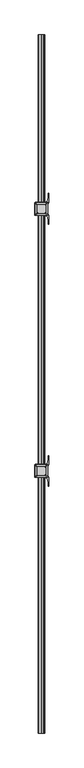
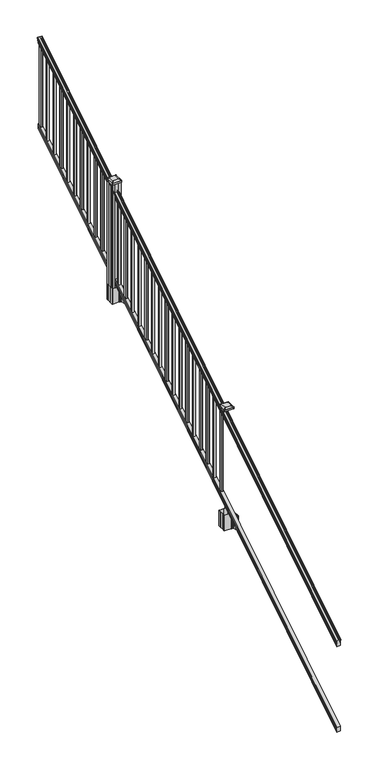
"""IFC4 building model written with IfcOpenShell, lengths in millimetres: railing geometry."""

from ifc_helpers import new_model, si_unit, point, frame, frame_2d, origin, place, context, project, spatial, polyline, circle_curve, ellipse_curve, trimmed, segment, composite_curve, outline, extrude, faceted_brep, source, transform, mapped, element, save
from ifc_brep_helpers import plane_surface, cylinder_surface, revolved_surface, extruded_surface, advanced_brep


def railing_d4ff8e9b(model_context):
    return source(origin(), model_context, "Body", "SolidModel", [
        advanced_brep(
        [(7464.0754996, -7669.8194681, 1133.2070492), (7466.6493284, -7669.8194681, 1133.2070492), (7466.6493284, -7669.8194681, 1120.6394336), (7465.6333284, -7669.8194681, 1119.441318), (7465.6333284, -7669.8194681, 1104.9), (7497.3833284, -7669.8194681, 1104.9), (7497.3833284, -7669.8194681, 1119.6274214), (7496.3673284, -7669.8194681, 1120.825537), (7496.3673284, -7669.8194681, 1133.2070492), (7498.9411571, -7669.8194681, 1133.2070492), (7498.9411571, -7669.8194681, 1135.4335658), (7500.0713434, -7669.8194681, 1137.2758543), (7500.0713434, -7669.8194681, 1145.7876358), (7499.422087, -7669.8194681, 1148.6572588), (7501.922087, -7669.8194681, 1153.7635509), (7503.3314295, -7669.8194681, 1155.7442021), (7503.7333285, -7669.8194681, 1157.0469579), (7503.7333284, -7669.8194681, 1158.6274846), (7502.1798811, -7669.8194681, 1160.4593836), (7481.5083284, -7669.8194681, 1160.4593836), (7460.8367756, -7669.8194681, 1160.4593836), (7459.2833284, -7669.8194681, 1158.6274846), (7459.2833284, -7669.8194681, 1157.0469579), (7459.6852273, -7669.8194681, 1155.7442021), (7461.0945697, -7669.8194681, 1153.7635509), (7463.5945697, -7669.8194681, 1148.6572588), (7462.9453133, -7669.8194681, 1145.7876358), (7462.9453133, -7669.8194681, 1137.2758543), (7464.0754996, -7669.8194681, 1135.4335658), (7464.0754996, -2793.0194681, 4181.2070492), (7464.0754996, -2793.0194681, 4183.4335658), (7462.9453133, -2793.0194681, 4185.2758543), (7462.9453133, -2793.0194681, 4193.7876358), (7463.5945697, -2793.0194681, 4196.6572588), (7461.0945697, -2793.0194681, 4201.7635509), (7459.6852273, -2793.0194681, 4203.7442021), (7459.2833283, -2793.0194681, 4205.0469579), (7459.2833284, -2793.0194681, 4206.6274846), (7460.8367756, -2793.0194681, 4208.4593836), (7481.5083284, -2793.0194681, 4208.4593836), (7502.1798811, -2793.0194681, 4208.4593836), (7503.7333284, -2793.0194681, 4206.6274846), (7503.7333284, -2793.0194681, 4205.0469579), (7503.3314295, -2793.0194681, 4203.7442021), (7501.922087, -2793.0194681, 4201.7635509), (7499.422087, -2793.0194681, 4196.6572588), (7500.0713434, -2793.0194681, 4193.7876358), (7500.0713434, -2793.0194681, 4185.2758543), (7498.9411571, -2793.0194681, 4183.4335658), (7498.9411571, -2793.0194681, 4181.2070492), (7496.3673284, -2793.0194681, 4181.2070492), (7496.3673284, -2793.0194681, 4168.825537), (7497.3833284, -2793.0194681, 4167.6274214), (7497.3833284, -2793.0194681, 4152.9), (7465.6333284, -2793.0194681, 4152.9), (7465.6333284, -2793.0194681, 4167.441318), (7466.6493284, -2793.0194681, 4168.6394336), (7466.6493284, -2793.0194681, 4181.2070492)],
        [
            (0, 1, ellipse_curve(frame((7465.362414, -7669.8194681, 1133.2070492), z_axis=(0.0, -1.0, 0.0), x_axis=(0.0, 0.0, -1.0)), 1.5175907, 1.2869144)),
            (1, 2),
            (2, 3),
            (3, 4),
            (4, 5),
            (5, 6),
            (6, 7),
            (7, 8),
            (8, 9, ellipse_curve(frame((7497.6542427, -7669.8194681, 1133.2070492), z_axis=(0.0, -1.0, 0.0), x_axis=(0.0, 0.0, -1.0)), 1.5175907, 1.2869144)),
            (9, 10),
            (10, 11, ellipse_curve(frame((7492.6264038, -7669.8194681, 1142.2239405), z_axis=(0.0, -1.0, 0.0), x_axis=(0.0, 0.0, -1.0)), 10.0777926, 8.545951)),
            (11, 12, ellipse_curve(frame((7493.0634668, -7669.8194681, 1141.5317451), z_axis=(0.0, -1.0, 0.0), x_axis=(0.0, 0.0, -1.0)), 9.2955186, 7.882584)),
            (12, 13, ellipse_curve(frame((7503.5767909, -7669.8194681, 1148.4275077), z_axis=(0.0, 1.0, 0.0), x_axis=(0.0, 0.0, 1.0)), 4.9048088, 4.1592695)),
            (13, 14, ellipse_curve(frame((7504.8640975, -7669.8194681, 1148.3563208), z_axis=(0.0, 1.0, 0.0), x_axis=(0.0, 0.0, 1.0)), 6.4245301, 5.4479907)),
            (14, 15, ellipse_curve(frame((7503.630939, -7669.8194681, 1153.7602333), z_axis=(0.0, 1.0, 0.0), x_axis=(0.0, 0.0, 1.0)), 2.0151625, 1.7088543)),
            (15, 16, ellipse_curve(frame((7502.0140389, -7669.8194681, 1157.0469579), z_axis=(0.0, -1.0, 0.0), x_axis=(0.0, 0.0, -1.0)), 2.0274681, 1.7192895)),
            (16, 17),
            (17, 18, ellipse_curve(frame((7502.1798811, -7669.8194681, 1158.6274846), z_axis=(0.0, -1.0, 0.0), x_axis=(0.0, 0.0, -1.0)), 1.831899, 1.5534472)),
            (18, 19),
            (19, 20),
            (20, 21, ellipse_curve(frame((7460.8367756, -7669.8194681, 1158.6274846), z_axis=(0.0, -1.0, 0.0), x_axis=(0.0, 0.0, -1.0)), 1.831899, 1.5534472)),
            (21, 22),
            (22, 23, ellipse_curve(frame((7461.0026178, -7669.8194681, 1157.0469579), z_axis=(0.0, -1.0, 0.0), x_axis=(0.0, 0.0, -1.0)), 2.0274681, 1.7192895)),
            (23, 24, ellipse_curve(frame((7459.3857177, -7669.8194681, 1153.7602333), z_axis=(0.0, 1.0, 0.0), x_axis=(0.0, 0.0, 1.0)), 2.0151625, 1.7088543)),
            (24, 25, ellipse_curve(frame((7458.1525593, -7669.8194681, 1148.3563208), z_axis=(0.0, 1.0, 0.0), x_axis=(0.0, 0.0, 1.0)), 6.4245301, 5.4479907)),
            (25, 26, ellipse_curve(frame((7459.4398658, -7669.8194681, 1148.4275077), z_axis=(0.0, 1.0, 0.0), x_axis=(0.0, 0.0, 1.0)), 4.9048088, 4.1592695)),
            (26, 27, ellipse_curve(frame((7469.95319, -7669.8194681, 1141.5317451), z_axis=(0.0, -1.0, 0.0), x_axis=(0.0, 0.0, -1.0)), 9.2955186, 7.882584)),
            (27, 28, ellipse_curve(frame((7470.3902529, -7669.8194681, 1142.2239405), z_axis=(0.0, -1.0, 0.0), x_axis=(0.0, 0.0, -1.0)), 10.0777926, 8.545951)),
            (28, 0),
            (29, 30),
            (30, 31, ellipse_curve(frame((7470.3902529, -2793.0194681, 4190.2239405), z_axis=(0.0, 1.0, 0.0), x_axis=(0.0, 0.0, -1.0)), 10.0777926, 8.545951)),
            (31, 32, ellipse_curve(frame((7469.95319, -2793.0194681, 4189.5317451), z_axis=(0.0, 1.0, 0.0), x_axis=(0.0, 0.0, -1.0)), 9.2955186, 7.882584)),
            (32, 33, ellipse_curve(frame((7459.4398658, -2793.0194681, 4196.4275077), z_axis=(0.0, -1.0, 0.0), x_axis=(0.0, 0.0, 1.0)), 4.9048088, 4.1592695)),
            (33, 34, ellipse_curve(frame((7458.1525593, -2793.0194681, 4196.3563208), z_axis=(0.0, -1.0, 0.0), x_axis=(0.0, 0.0, 1.0)), 6.4245301, 5.4479907)),
            (34, 35, ellipse_curve(frame((7459.3857177, -2793.0194681, 4201.7602333), z_axis=(0.0, -1.0, 0.0), x_axis=(0.0, 0.0, 1.0)), 2.0151625, 1.7088543)),
            (35, 36, ellipse_curve(frame((7461.0026178, -2793.0194681, 4205.0469579), z_axis=(0.0, 1.0, 0.0), x_axis=(0.0, 0.0, -1.0)), 2.0274681, 1.7192895)),
            (36, 37),
            (37, 38, ellipse_curve(frame((7460.8367756, -2793.0194681, 4206.6274846), z_axis=(0.0, 1.0, 0.0), x_axis=(0.0, 0.0, -1.0)), 1.831899, 1.5534472)),
            (38, 39),
            (39, 40),
            (40, 41, ellipse_curve(frame((7502.1798811, -2793.0194681, 4206.6274846), z_axis=(0.0, 1.0, 0.0), x_axis=(0.0, 0.0, -1.0)), 1.831899, 1.5534472)),
            (41, 42),
            (42, 43, ellipse_curve(frame((7502.0140389, -2793.0194681, 4205.0469579), z_axis=(0.0, 1.0, 0.0), x_axis=(0.0, 0.0, -1.0)), 2.0274681, 1.7192895)),
            (43, 44, ellipse_curve(frame((7503.630939, -2793.0194681, 4201.7602333), z_axis=(0.0, -1.0, 0.0), x_axis=(0.0, 0.0, 1.0)), 2.0151625, 1.7088543)),
            (44, 45, ellipse_curve(frame((7504.8640975, -2793.0194681, 4196.3563208), z_axis=(0.0, -1.0, 0.0), x_axis=(0.0, 0.0, 1.0)), 6.4245301, 5.4479907)),
            (45, 46, ellipse_curve(frame((7503.5767909, -2793.0194681, 4196.4275077), z_axis=(0.0, -1.0, 0.0), x_axis=(0.0, 0.0, 1.0)), 4.9048088, 4.1592695)),
            (46, 47, ellipse_curve(frame((7493.0634668, -2793.0194681, 4189.5317451), z_axis=(0.0, 1.0, 0.0), x_axis=(0.0, 0.0, -1.0)), 9.2955186, 7.882584)),
            (47, 48, ellipse_curve(frame((7492.6264038, -2793.0194681, 4190.2239405), z_axis=(0.0, 1.0, 0.0), x_axis=(0.0, 0.0, -1.0)), 10.0777926, 8.545951)),
            (48, 49),
            (49, 50, ellipse_curve(frame((7497.6542427, -2793.0194681, 4181.2070492), z_axis=(0.0, 1.0, 0.0), x_axis=(0.0, 0.0, -1.0)), 1.5175907, 1.2869144)),
            (50, 51),
            (51, 52),
            (52, 53),
            (53, 54),
            (54, 55),
            (55, 56),
            (56, 57),
            (57, 29, ellipse_curve(frame((7465.362414, -2793.0194681, 4181.2070492), z_axis=(0.0, 1.0, 0.0), x_axis=(0.0, 0.0, -1.0)), 1.5175907, 1.2869144)),
            (28, 30),
            (29, 0),
            (27, 31),
            (26, 32),
            (25, 33),
            (24, 34),
            (23, 35),
            (22, 36),
            (21, 37),
            (20, 38),
            (19, 39),
            (18, 40),
            (17, 41),
            (16, 42),
            (15, 43),
            (14, 44),
            (13, 45),
            (12, 46),
            (11, 47),
            (10, 48),
            (9, 49),
            (8, 50),
            (7, 51),
            (6, 52),
            (5, 53),
            (4, 54),
            (3, 55),
            (2, 56),
            (1, 57),
        ],
        [
            plane_surface(frame((7481.5083284, -7669.8194681, 1104.9), z_axis=(0.0, -1.0, 0.0), x_axis=(0.0, 0.0, 1.0))),
            plane_surface(frame((7481.5083284, -2793.0194681, 4152.9), z_axis=(0.0, 1.0, 0.0), x_axis=(0.0, 0.0, 1.0))),
            plane_surface(frame((7464.0754996, -7669.8194681, 1135.4335658), z_axis=(-1.0, 0.0, 0.0), x_axis=(0.0, 0.8479983040051254, 0.5299989400031202))),
            cylinder_surface(frame((7470.3902529, -7686.5942728, 1131.7396876), z_axis=(0.0, -0.8479983040051254, -0.5299989400031202), x_axis=(1.0, 0.0, 0.0)), 8.545951),
            cylinder_surface(frame((7469.95319, -7686.2831737, 1131.241929), z_axis=(0.0, -0.8479983040051254, -0.5299989400031202), x_axis=(1.0, 0.0, 0.0)), 7.882584),
            revolved_surface(polyline([(7463.5991353, -2790.8150596503465, 4197.805262980553), (7463.5991353, -7672.023876549438, 1147.0497524190998)]), (7459.4398658, -7689.3823929, 1136.2006797), (0.0, 0.8479983040051254, 0.5299989400031202)),
            revolved_surface(polyline([(7463.60055, -2790.132038835739, 4198.160964077182), (7463.60055, -7672.7068973528085, 1146.5516775044932)]), (7458.1525593, -7689.3503988, 1136.1494891), (0.0, 0.8479983040051254, 0.5299989400031202)),
            revolved_surface(polyline([(7461.094572, -2792.113777099782, 4202.326290199655), (7461.094572, -7670.725159122471, 1153.1941764359535)]), (7459.3857177, -7691.7791235, 1140.0354487), (0.0, 0.8479983040051254, 0.5299989400031202)),
            cylinder_surface(frame((7461.0026178, -7693.2563031, 1142.398936), z_axis=(0.0, -0.8479983040051254, -0.5299989400031202), x_axis=(1.0, 0.0, 0.0)), 1.7192895),
            plane_surface(frame((7459.2833284, -7669.8194681, 1158.6274846), z_axis=(-1.0, 0.0, 0.0), x_axis=(0.0, 0.8479983040051254, 0.5299989400031202))),
            cylinder_surface(frame((7460.8367756, -7693.9666522, 1143.5354945), z_axis=(0.0, -0.8479983040051254, -0.5299989400031202), x_axis=(1.0, 0.0, 0.0)), 1.5534472),
            plane_surface(frame((7481.5083284, -7669.8194681, 1160.4593836), z_axis=(0.0, -0.5299989400031202, 0.8479983040051254), x_axis=(0.0, 0.8479983040051254, 0.5299989400031202))),
            plane_surface(frame((7502.1798811, -7669.8194681, 1160.4593836), z_axis=(0.0, -0.5299989400031202, 0.8479983040051254), x_axis=(0.0, 0.8479983040051254, 0.5299989400031202))),
            cylinder_surface(frame((7502.1798811, -7693.9666522, 1143.5354945), z_axis=(0.0, -0.8479983040051254, -0.5299989400031202), x_axis=(-1.0, 0.0, 0.0)), 1.5534472),
            plane_surface(frame((7503.7333284, -7669.8194681, 1157.0469579), z_axis=(1.0, 0.0, 0.0), x_axis=(0.0, 0.8479983040051254, 0.5299989400031202))),
            cylinder_surface(frame((7502.0140389, -7693.2563031, 1142.398936), z_axis=(0.0, -0.8479983040051254, -0.5299989400031202), x_axis=(-1.0, 0.0, 0.0)), 1.7192895),
            revolved_surface(polyline([(7501.9220847, -2792.113777099782, 4202.326290199655), (7501.9220847, -7670.725159122471, 1153.1941764359535)]), (7503.630939, -7691.7791235, 1140.0354487), (0.0, 0.8479983040051254, 0.5299989400031202)),
            revolved_surface(polyline([(7499.416106799999, -2790.132038835739, 4198.160964077182), (7499.416106799999, -7672.7068973528085, 1146.5516775044932)]), (7504.8640975, -7689.3503988, 1136.1494891), (0.0, 0.8479983040051254, 0.5299989400031202)),
            revolved_surface(polyline([(7499.4175214, -2790.8150596503465, 4197.805262980553), (7499.4175214, -7672.023876549438, 1147.0497524190998)]), (7503.5767909, -7689.3823929, 1136.2006797), (0.0, 0.8479983040051254, 0.5299989400031202)),
            cylinder_surface(frame((7493.0634668, -7686.2831737, 1131.241929), z_axis=(0.0, -0.8479983040051254, -0.5299989400031202), x_axis=(-1.0, 0.0, 0.0)), 7.882584),
            cylinder_surface(frame((7492.6264038, -7686.5942728, 1131.7396876), z_axis=(0.0, -0.8479983040051254, -0.5299989400031202), x_axis=(-1.0, 0.0, 0.0)), 8.545951),
            plane_surface(frame((7498.9411571, -7669.8194681, 1133.2070492), z_axis=(1.0, 0.0, 0.0), x_axis=(0.0, 0.8479983040051254, 0.5299989400031202))),
            cylinder_surface(frame((7497.6542427, -7682.5417374, 1125.2556309), z_axis=(0.0, -0.8479983040051254, -0.5299989400031202), x_axis=(-1.0, 0.0, 0.0)), 1.2869144),
            plane_surface(frame((7496.3673284, -7669.8194681, 1120.825537), z_axis=(1.0, 0.0, 0.0), x_axis=(0.0, 0.8479983040051254, 0.5299989400031202))),
            plane_surface(frame((7497.3833284, -7669.8194681, 1119.6274214), z_axis=(0.7071067811865426, -0.3747658444978919, 0.5996253511967194), x_axis=(0.0, 0.8479983040051254, 0.5299989400031202))),
            plane_surface(frame((7497.3833284, -7669.8194681, 1104.9), z_axis=(1.0, 0.0, 0.0), x_axis=(0.0, 0.8479983040051254, 0.5299989400031202))),
            plane_surface(frame((7465.6333284, -7669.8194681, 1104.9), z_axis=(0.0, 0.5299989400031202, -0.8479983040051254), x_axis=(0.0, 0.8479983040051254, 0.5299989400031202))),
            plane_surface(frame((7465.6333284, -7669.8194681, 1119.441318), z_axis=(-1.0, 0.0, 0.0), x_axis=(0.0, 0.8479983040051254, 0.5299989400031202))),
            plane_surface(frame((7466.6493284, -7669.8194681, 1120.6394336), z_axis=(-0.7071067811865401, -0.3747658444978916, 0.5996253511967223), x_axis=(0.0, 0.8479983040051254, 0.5299989400031202))),
            plane_surface(frame((7466.6493284, -7669.8194681, 1133.2070492), z_axis=(-1.0, 0.0, 0.0), x_axis=(0.0, 0.8479983040051254, 0.5299989400031202))),
            cylinder_surface(frame((7465.362414, -7682.5417374, 1125.2556309), z_axis=(0.0, -0.8479983040051254, -0.5299989400031202), x_axis=(1.0, 0.0, 0.0)), 1.2869144),
        ],
        [
            (0, [[1, 2, 3, 4, 5, 6, 7, 8, 9, 10, 11, 12, 13, 14, 15, 16, 17, 18, 19, 20, 21, 22, 23, 24, 25, 26, 27, 28, 29]]),
            (1, [[30, 31, 32, 33, 34, 35, 36, 37, 38, 39, 40, 41, 42, 43, 44, 45, 46, 47, 48, 49, 50, 51, 52, 53, 54, 55, 56, 57, 58]]),
            (2, [[-29, 59, -30, 60]]),
            (3, [[-28, 61, -31, -59]]),
            (4, [[-27, 62, -32, -61]]),
            (5, [[-26, 63, -33, -62]]),
            (6, [[-25, 64, -34, -63]]),
            (7, [[-24, 65, -35, -64]]),
            (8, [[-23, 66, -36, -65]]),
            (9, [[-22, 67, -37, -66]]),
            (10, [[-21, 68, -38, -67]]),
            (11, [[-20, 69, -39, -68]]),
            (12, [[-19, 70, -40, -69]]),
            (13, [[-18, 71, -41, -70]]),
            (14, [[-17, 72, -42, -71]]),
            (15, [[-16, 73, -43, -72]]),
            (16, [[-15, 74, -44, -73]]),
            (17, [[-14, 75, -45, -74]]),
            (18, [[-13, 76, -46, -75]]),
            (19, [[-12, 77, -47, -76]]),
            (20, [[-11, 78, -48, -77]]),
            (21, [[-10, 79, -49, -78]]),
            (22, [[-9, 80, -50, -79]]),
            (23, [[-8, 81, -51, -80]]),
            (24, [[-7, 82, -52, -81]]),
            (25, [[-6, 83, -53, -82]]),
            (26, [[-5, 84, -54, -83]]),
            (27, [[-4, 85, -55, -84]]),
            (28, [[-3, 86, -56, -85]]),
            (29, [[-2, 87, -57, -86]]),
            (30, [[-1, -60, -58, -87]]),
        ],
    ),
        faceted_brep([(7465.5958415, -7669.8194681, 268.8045079), (7465.5958415, -7669.8194681, 254.0), (7497.3458415, -7669.8194681, 254.0), (7497.3458415, -7669.8194681, 268.7848772), (7496.3298415, -7669.8194681, 270.3748303), (7496.3298415, -7669.8194681, 282.5348741), (7497.3458415, -7669.8194681, 284.1248272), (7497.3458415, -7669.8194681, 298.9244744), (7465.5958415, -7669.8194681, 298.9244744), (7465.5958415, -7669.8194681, 284.1444579), (7466.6118415, -7669.8194681, 282.5545048), (7466.6118415, -7669.8194681, 270.338026), (7465.5958415, -2793.0194681, 3316.8045079), (7466.6118415, -2793.0194681, 3318.338026), (7466.6118415, -2793.0194681, 3330.5545048), (7465.5958415, -2793.0194681, 3332.1444579), (7465.5958415, -2793.0194681, 3346.9244744), (7497.3458415, -2793.0194681, 3346.9244744), (7497.3458415, -2793.0194681, 3332.1248272), (7496.3298415, -2793.0194681, 3330.5348741), (7496.3298415, -2793.0194681, 3318.3748303), (7497.3458415, -2793.0194681, 3316.7848772), (7497.3458415, -2793.0194681, 3302.0), (7465.5958415, -2793.0194681, 3302.0)], [[[0, 1, 2, 3, 4, 5, 6, 7, 8, 9, 10, 11]], [[12, 13, 14, 15, 16, 17, 18, 19, 20, 21, 22, 23]], [[0, 11, 13, 12]], [[11, 10, 14, 13]], [[10, 9, 15, 14]], [[9, 8, 16, 15]], [[8, 7, 17, 16]], [[7, 6, 18, 17]], [[6, 5, 19, 18]], [[5, 4, 20, 19]], [[4, 3, 21, 20]], [[3, 2, 22, 21]], [[2, 1, 23, 22]], [[1, 0, 12, 23]]]),
        extrude(outline(polyline([(7471.9833284, -2824.1344681), (7471.9833284, -2805.0844681), (7491.0333284, -2805.0844681), (7491.0333284, -2824.1344681), (7471.9833284, -2824.1344681)]), holes=[polyline([(7472.3802034, -2823.7375931), (7490.6364534, -2823.7375931), (7490.6364534, -2805.4813431), (7472.3802034, -2805.4813431), (7472.3802034, -2823.7375931)])]), frame((0.0, 0.0, 3326.6021281), z_axis=(0.0, 0.0, 1.0), x_axis=(1.0, 0.0, 0.0)), (0.0, 0.0, 1.0), 812.8041219),
        extrude(outline(polyline([(7471.9833284, -2935.3864681), (7471.9833284, -2916.3364681), (7491.0333284, -2916.3364681), (7491.0333284, -2935.3864681), (7471.9833284, -2935.3864681)]), holes=[polyline([(7472.3802034, -2934.9895931), (7490.6364534, -2934.9895931), (7490.6364534, -2916.7333431), (7472.3802034, -2916.7333431), (7472.3802034, -2934.9895931)])]), frame((0.0, 0.0, 3257.0696281), z_axis=(0.0, 0.0, 1.0), x_axis=(1.0, 0.0, 0.0)), (0.0, 0.0, 1.0), 812.8041219),
        extrude(outline(polyline([(7471.9833284, -3046.6384681), (7471.9833284, -3027.5884681), (7491.0333284, -3027.5884681), (7491.0333284, -3046.6384681), (7471.9833284, -3046.6384681)]), holes=[polyline([(7472.3802034, -3046.2415931), (7490.6364534, -3046.2415931), (7490.6364534, -3027.9853431), (7472.3802034, -3027.9853431), (7472.3802034, -3046.2415931)])]), frame((0.0, 0.0, 3187.5371281), z_axis=(0.0, 0.0, 1.0), x_axis=(1.0, 0.0, 0.0)), (0.0, 0.0, 1.0), 812.8041219),
        extrude(outline(polyline([(7471.9833284, -3157.8904681), (7471.9833284, -3138.8404681), (7491.0333284, -3138.8404681), (7491.0333284, -3157.8904681), (7471.9833284, -3157.8904681)]), holes=[polyline([(7472.3802034, -3157.4935931), (7490.6364534, -3157.4935931), (7490.6364534, -3139.2373431), (7472.3802034, -3139.2373431), (7472.3802034, -3157.4935931)])]), frame((0.0, 0.0, 3118.0046281), z_axis=(0.0, 0.0, 1.0), x_axis=(1.0, 0.0, 0.0)), (0.0, 0.0, 1.0), 812.8041219),
        extrude(outline(polyline([(7471.9833284, -3269.1424681), (7471.9833284, -3250.0924681), (7491.0333284, -3250.0924681), (7491.0333284, -3269.1424681), (7471.9833284, -3269.1424681)]), holes=[polyline([(7472.3802034, -3268.7455931), (7490.6364534, -3268.7455931), (7490.6364534, -3250.4893431), (7472.3802034, -3250.4893431), (7472.3802034, -3268.7455931)])]), frame((0.0, 0.0, 3048.4721281), z_axis=(0.0, 0.0, 1.0), x_axis=(1.0, 0.0, 0.0)), (0.0, 0.0, 1.0), 812.8041219),
        extrude(outline(polyline([(7471.9833284, -3380.3944681), (7471.9833284, -3361.3444681), (7491.0333284, -3361.3444681), (7491.0333284, -3380.3944681), (7471.9833284, -3380.3944681)]), holes=[polyline([(7472.3802034, -3379.9975931), (7490.6364534, -3379.9975931), (7490.6364534, -3361.7413431), (7472.3802034, -3361.7413431), (7472.3802034, -3379.9975931)])]), frame((0.0, 0.0, 2978.9396281), z_axis=(0.0, 0.0, 1.0), x_axis=(1.0, 0.0, 0.0)), (0.0, 0.0, 1.0), 812.8041219),
        extrude(outline(polyline([(7471.9833284, -3491.6464681), (7471.9833284, -3472.5964681), (7491.0333284, -3472.5964681), (7491.0333284, -3491.6464681), (7471.9833284, -3491.6464681)]), holes=[polyline([(7472.3802034, -3491.2495931), (7490.6364534, -3491.2495931), (7490.6364534, -3472.9933431), (7472.3802034, -3472.9933431), (7472.3802034, -3491.2495931)])]), frame((0.0, 0.0, 2909.4071281), z_axis=(0.0, 0.0, 1.0), x_axis=(1.0, 0.0, 0.0)), (0.0, 0.0, 1.0), 812.8041219),
        extrude(outline(polyline([(7471.9833284, -3602.8984681), (7471.9833284, -3583.8484681), (7491.0333284, -3583.8484681), (7491.0333284, -3602.8984681), (7471.9833284, -3602.8984681)]), holes=[polyline([(7472.3802034, -3602.5015931), (7490.6364534, -3602.5015931), (7490.6364534, -3584.2453431), (7472.3802034, -3584.2453431), (7472.3802034, -3602.5015931)])]), frame((0.0, 0.0, 2839.8746281), z_axis=(0.0, 0.0, 1.0), x_axis=(1.0, 0.0, 0.0)), (0.0, 0.0, 1.0), 812.8041219),
        extrude(outline(polyline([(7471.9833284, -3714.1504681), (7471.9833284, -3695.1004681), (7491.0333284, -3695.1004681), (7491.0333284, -3714.1504681), (7471.9833284, -3714.1504681)]), holes=[polyline([(7472.3802034, -3713.7535931), (7490.6364534, -3713.7535931), (7490.6364534, -3695.4973431), (7472.3802034, -3695.4973431), (7472.3802034, -3713.7535931)])]), frame((0.0, 0.0, 2770.3421281), z_axis=(0.0, 0.0, 1.0), x_axis=(1.0, 0.0, 0.0)), (0.0, 0.0, 1.0), 812.8041219),
        extrude(outline(polyline([(7471.9833284, -3825.4024681), (7471.9833284, -3806.3524681), (7491.0333284, -3806.3524681), (7491.0333284, -3825.4024681), (7471.9833284, -3825.4024681)]), holes=[polyline([(7472.3802034, -3825.0055931), (7490.6364534, -3825.0055931), (7490.6364534, -3806.7493431), (7472.3802034, -3806.7493431), (7472.3802034, -3825.0055931)])]), frame((0.0, 0.0, 2700.8096281), z_axis=(0.0, 0.0, 1.0), x_axis=(1.0, 0.0, 0.0)), (0.0, 0.0, 1.0), 812.8041219),
        extrude(outline(polyline([(7471.9833284, -3936.6544681), (7471.9833284, -3917.6044681), (7491.0333284, -3917.6044681), (7491.0333284, -3936.6544681), (7471.9833284, -3936.6544681)]), holes=[polyline([(7472.3802034, -3936.2575931), (7490.6364534, -3936.2575931), (7490.6364534, -3918.0013431), (7472.3802034, -3918.0013431), (7472.3802034, -3936.2575931)])]), frame((0.0, 0.0, 2631.2771281), z_axis=(0.0, 0.0, 1.0), x_axis=(1.0, 0.0, 0.0)), (0.0, 0.0, 1.0), 812.8041219),
        extrude(outline(composite_curve([segment(polyline([(7438.7728284, -4025.541563), (7438.7728284, -3990.7693732), (7437.1853284, -3990.0073732), (7437.1853284, -3967.2054452), (7440.5583054, -3963.8324681), (7502.0179763, -3963.8324681), (7502.0179763, -3962.9117181), (7507.3355201, -3962.9117181), (7507.3355201, -3961.4574634), (7512.4200498, -3961.4574634), (7512.4200498, -3960.1734396), (7514.0873221, -3960.1734396)]), True, "CONTINUOUS"), segment(trimmed(circle_curve(frame_2d((7514.0873221, -3953.1139797)), 7.0594599), [point((7514.0873221, -3960.1734396))], [point((7520.8545849, -3955.1239864))], True, "CARTESIAN"), True, "CONTINUOUS"), segment(polyline([(7520.8545849, -3955.1239864), (7528.7287792, -3928.6132573)]), True, "CONTINUOUS"), segment(trimmed(circle_curve(frame_2d((7473.9442659, -3912.3412076)), 57.15), [point((7528.7287792, -3928.6132573))], [point((7531.0942659, -3912.3412076))], True, "CARTESIAN"), True, "CONTINUOUS"), segment(polyline([(7531.0942659, -3912.3412076), (7531.0942659, -3900.3324681), (7534.0942659, -3900.3324681), (7534.0942659, -3965.4199681), (7525.8313284, -3976.7582594), (7525.8313284, -3990.0073732), (7524.2438284, -3990.7693732), (7524.2438284, -4025.541563), (7525.8313284, -4026.303563), (7525.8313284, -4039.5526768), (7534.0942659, -4050.8909681), (7534.0942659, -4115.9784681), (7531.0942659, -4115.9784681), (7531.0942659, -4103.9697285)]), True, "CONTINUOUS"), segment(trimmed(circle_curve(frame_2d((7473.9442659, -4103.9697285)), 57.15), [point((7531.0942659, -4103.9697285))], [point((7528.7287792, -4087.6976789))], True, "CARTESIAN"), True, "CONTINUOUS"), segment(polyline([(7528.7287792, -4087.6976789), (7520.8545849, -4061.1869498)]), True, "CONTINUOUS"), segment(trimmed(circle_curve(frame_2d((7514.0873221, -4063.1969565)), 7.0594599), [point((7520.8545849, -4061.1869498))], [point((7514.0873221, -4056.1374966))], True, "CARTESIAN"), True, "CONTINUOUS"), segment(polyline([(7514.0873221, -4056.1374966), (7512.4200498, -4056.1374966), (7512.4200498, -4054.8534728), (7507.3355201, -4054.8534728), (7507.3355201, -4053.3992181), (7502.0179763, -4053.3992181), (7502.0179763, -4052.4784681), (7440.5583054, -4052.4784681), (7437.1853284, -4049.105491), (7437.1853284, -4026.303563), (7438.7728284, -4025.541563)]), True, "CONTINUOUS")], self_intersect=False), holes=[polyline([(7522.7833284, -3968.4679681), (7521.1958284, -3966.8804681), (7484.2715458, -3966.8804681), (7441.8208284, -3966.8804681), (7440.2333284, -3968.4679681), (7440.2333284, -4047.8429681), (7441.8208284, -4049.4304681), (7484.2715458, -4049.4304681), (7521.1958284, -4049.4304681), (7522.7833284, -4047.8429681), (7522.7833284, -3968.4679681)])]), frame((0.0, 0.0, 2326.64), z_axis=(0.0, 0.0, 1.0), x_axis=(1.0, 0.0, 0.0)), (0.0, 0.0, 1.0), 152.4),
        advanced_brep(
        [(7507.3052034, -4037.1273431, 3538.979263), (7510.4802034, -4033.9523431, 3538.979263), (7510.4802034, -3982.3585931, 3538.979263), (7507.3052034, -3979.1835931, 3538.979263), (7455.7114534, -3979.1835931, 3538.979263), (7452.5364534, -3982.3585931, 3538.979263), (7452.5364534, -4033.9523431, 3538.979263), (7455.7114534, -4037.1273431, 3538.979263), (7523.5770784, -4053.3992181, 3527.676263), (7439.4395784, -4053.3992181, 3527.676263), (7436.2645784, -4050.2242181, 3527.676263), (7436.2645784, -3966.0867181, 3527.676263), (7439.4395784, -3962.9117181, 3527.676263), (7523.5770784, -3962.9117181, 3527.676263), (7526.7520784, -3966.0867181, 3527.676263), (7526.7520784, -4050.2242181, 3527.676263)],
        [
            (0, 1, circle_curve(frame((7507.3052034, -4033.9523431, 3538.979263), z_axis=(0.0, 0.0, 1.0), x_axis=(0.0, 1.0, 0.0)), 3.175)),
            (1, 2),
            (2, 3, circle_curve(frame((7507.3052034, -3982.3585931, 3538.979263), z_axis=(0.0, 0.0, 1.0), x_axis=(0.0, 1.0, 0.0)), 3.175)),
            (3, 4),
            (4, 5, circle_curve(frame((7455.7114534, -3982.3585931, 3538.979263), z_axis=(0.0, 0.0, 1.0), x_axis=(0.0, 1.0, 0.0)), 3.175)),
            (5, 6),
            (6, 7, circle_curve(frame((7455.7114534, -4033.9523431, 3538.979263), z_axis=(0.0, 0.0, 1.0), x_axis=(0.0, 1.0, 0.0)), 3.175)),
            (7, 0),
            (8, 9),
            (9, 10, circle_curve(frame((7439.4395784, -4050.2242181, 3527.676263), z_axis=(0.0, 0.0, -1.0), x_axis=(0.0, 1.0, 0.0)), 3.175)),
            (10, 11),
            (11, 12, circle_curve(frame((7439.4395784, -3966.0867181, 3527.676263), z_axis=(0.0, 0.0, -1.0), x_axis=(0.0, 1.0, 0.0)), 3.175)),
            (12, 13),
            (13, 14, circle_curve(frame((7523.5770784, -3966.0867181, 3527.676263), z_axis=(0.0, 0.0, -1.0), x_axis=(0.0, 1.0, 0.0)), 3.175)),
            (14, 15),
            (15, 8, circle_curve(frame((7523.5770784, -4050.2242181, 3527.676263), z_axis=(0.0, 0.0, -1.0), x_axis=(0.0, 1.0, 0.0)), 3.175)),
            (15, 1),
            (0, 8),
            (14, 2),
            (13, 3),
            (12, 4),
            (11, 5),
            (10, 6),
            (9, 7),
        ],
        [
            plane_surface(frame((7481.5083284, -4008.1554681, 3538.979263), z_axis=(0.0, 0.0, 1.0), x_axis=(1.0, 0.0, 0.0))),
            plane_surface(frame((7481.5083284, -4008.1554681, 3527.676263), z_axis=(0.0, 0.0, -1.0), x_axis=(1.0, 0.0, 0.0))),
            extruded_surface(trimmed(circle_curve(frame((7523.5770784, -4050.2242181, 3527.676263), z_axis=(0.0, 0.0, 1.0), x_axis=(0.0, 1.0, 0.0)), 3.175), [point((7523.5770784, -4053.3992181, 3527.676263))], [point((7526.7520784, -4050.2242181, 3527.676263))], True, "CARTESIAN"), (-16.271874999999454, 16.271875000000364, 11.303000000000338), 25.6379726388662),
            plane_surface(frame((7526.7520784, -4008.1554681, 3527.676263), z_axis=(0.5705009161540778, 0.0, 0.8212969649690408), x_axis=(0.0, 1.0, 0.0))),
            extruded_surface(trimmed(circle_curve(frame((7523.5770784, -3966.0867181, 3527.676263), z_axis=(0.0, 0.0, 1.0), x_axis=(0.0, 1.0, 0.0)), 3.175), [point((7526.7520784, -3966.0867181, 3527.676263))], [point((7523.5770784, -3962.9117181, 3527.676263))], True, "CARTESIAN"), (-16.271874999999454, -16.27187499999991, 11.303000000000338), 25.637972638865907),
            plane_surface(frame((7481.5083284, -3962.9117181, 3527.676263), z_axis=(0.0, 0.5705009161540291, 0.8212969649690747), x_axis=(-1.0, 0.0, 0.0))),
            extruded_surface(trimmed(circle_curve(frame((7439.4395784, -3966.0867181, 3527.676263), z_axis=(0.0, 0.0, 1.0), x_axis=(0.0, 1.0, 0.0)), 3.175), [point((7439.4395784, -3962.9117181, 3527.676263))], [point((7436.2645784, -3966.0867181, 3527.676263))], True, "CARTESIAN"), (16.271875000000364, -16.27187499999991, 11.303000000000338), 25.637972638866486),
            plane_surface(frame((7436.2645784, -4008.1554681, 3527.676263), z_axis=(-0.5705009161540142, 0.0, 0.8212969649690851), x_axis=(0.0, -1.0, 0.0))),
            extruded_surface(trimmed(circle_curve(frame((7439.4395784, -4050.2242181, 3527.676263), z_axis=(0.0, 0.0, 1.0), x_axis=(0.0, 1.0, 0.0)), 3.175), [point((7436.2645784, -4050.2242181, 3527.676263))], [point((7439.4395784, -4053.3992181, 3527.676263))], True, "CARTESIAN"), (16.271875000000364, 16.271875000000364, 11.303000000000338), 25.637972638866774),
            plane_surface(frame((7481.5083284, -4053.3992181, 3527.676263), z_axis=(0.0, -0.570500916154034, 0.8212969649690713), x_axis=(1.0, 0.0, 0.0))),
        ],
        [
            (0, [[1, 2, 3, 4, 5, 6, 7, 8]]),
            (1, [[9, 10, 11, 12, 13, 14, 15, 16]]),
            (2, [[-16, 17, -1, 18]]),
            (3, [[-15, 19, -2, -17]]),
            (4, [[-14, 20, -3, -19]]),
            (5, [[-13, 21, -4, -20]]),
            (6, [[-12, 22, -5, -21]]),
            (7, [[-11, 23, -6, -22]]),
            (8, [[-10, 24, -7, -23]]),
            (9, [[-9, -18, -8, -24]]),
        ],
    ),
        extrude(outline(composite_curve([segment(polyline([(7523.5770784, -4053.3992181), (7439.4395784, -4053.3992181)]), True, "CONTINUOUS"), segment(trimmed(circle_curve(frame_2d((7439.4395784, -4050.2242181)), 3.175), [point((7439.4395784, -4053.3992181))], [point((7436.2645784, -4050.2242181))], False, "CARTESIAN"), True, "CONTINUOUS"), segment(polyline([(7436.2645784, -4050.2242181), (7436.2645784, -3966.0867181)]), True, "CONTINUOUS"), segment(trimmed(circle_curve(frame_2d((7439.4395784, -3966.0867181)), 3.175), [point((7436.2645784, -3966.0867181))], [point((7439.4395784, -3962.9117181))], False, "CARTESIAN"), True, "CONTINUOUS"), segment(polyline([(7439.4395784, -3962.9117181), (7523.5770784, -3962.9117181)]), True, "CONTINUOUS"), segment(trimmed(circle_curve(frame_2d((7523.5770784, -3966.0867181)), 3.175), [point((7523.5770784, -3962.9117181))], [point((7526.7520784, -3966.0867181))], False, "CARTESIAN"), True, "CONTINUOUS"), segment(polyline([(7526.7520784, -3966.0867181), (7526.7520784, -4050.2242181)]), True, "CONTINUOUS"), segment(trimmed(circle_curve(frame_2d((7523.5770784, -4050.2242181)), 3.175), [point((7526.7520784, -4050.2242181))], [point((7523.5770784, -4053.3992181))], False, "CARTESIAN"), True, "CONTINUOUS")], self_intersect=False)), frame((0.0, 0.0, 3510.404263), z_axis=(0.0, 0.0, 1.0), x_axis=(1.0, 0.0, 0.0)), (0.0, 0.0, 1.0), 17.272),
        extrude(outline(polyline([(7521.1958284, -4049.4304681), (7501.5743284, -4049.4304681), (7500.8123284, -4047.8429681), (7462.2043284, -4047.8429681), (7461.4423284, -4049.4304681), (7441.8208284, -4049.4304681), (7440.2333284, -4047.8429681), (7440.2333284, -4028.2214681), (7441.8208284, -4027.4594681), (7441.8208284, -3988.8514681), (7440.2333284, -3988.0894681), (7440.2333284, -3968.4679681), (7441.8208284, -3966.8804681), (7461.4423284, -3966.8804681), (7462.2043284, -3968.4679681), (7500.8123284, -3968.4679681), (7501.5743284, -3966.8804681), (7521.1958284, -3966.8804681), (7522.7833284, -3968.4679681), (7522.7833284, -3988.0894681), (7521.1958284, -3988.8514681), (7521.1958284, -4027.4594681), (7522.7833284, -4028.2214681), (7522.7833284, -4047.8429681), (7521.1958284, -4049.4304681)])), frame((0.0, 0.0, 2479.04), z_axis=(0.0, 0.0, 1.0), x_axis=(1.0, 0.0, 0.0)), (0.0, 0.0, 1.0), 1031.364263),
        extrude(outline(polyline([(7471.9833284, -4098.7064681), (7471.9833284, -4079.6564681), (7491.0333284, -4079.6564681), (7491.0333284, -4098.7064681), (7471.9833284, -4098.7064681)]), holes=[polyline([(7472.3802034, -4098.3095931), (7490.6364534, -4098.3095931), (7490.6364534, -4080.0533431), (7472.3802034, -4080.0533431), (7472.3802034, -4098.3095931)])]), frame((0.0, 0.0, 2529.9946281), z_axis=(0.0, 0.0, 1.0), x_axis=(1.0, 0.0, 0.0)), (0.0, 0.0, 1.0), 812.8041219),
        extrude(outline(polyline([(7471.9833284, -4209.9584681), (7471.9833284, -4190.9084681), (7491.0333284, -4190.9084681), (7491.0333284, -4209.9584681), (7471.9833284, -4209.9584681)]), holes=[polyline([(7472.3802034, -4209.5615931), (7490.6364534, -4209.5615931), (7490.6364534, -4191.3053431), (7472.3802034, -4191.3053431), (7472.3802034, -4209.5615931)])]), frame((0.0, 0.0, 2460.4621281), z_axis=(0.0, 0.0, 1.0), x_axis=(1.0, 0.0, 0.0)), (0.0, 0.0, 1.0), 812.8041219),
        extrude(outline(polyline([(7471.9833284, -4321.2104681), (7471.9833284, -4302.1604681), (7491.0333284, -4302.1604681), (7491.0333284, -4321.2104681), (7471.9833284, -4321.2104681)]), holes=[polyline([(7472.3802034, -4320.8135931), (7490.6364534, -4320.8135931), (7490.6364534, -4302.5573431), (7472.3802034, -4302.5573431), (7472.3802034, -4320.8135931)])]), frame((0.0, 0.0, 2390.9296281), z_axis=(0.0, 0.0, 1.0), x_axis=(1.0, 0.0, 0.0)), (0.0, 0.0, 1.0), 812.8041219),
        extrude(outline(polyline([(7471.9833284, -4432.4624681), (7471.9833284, -4413.4124681), (7491.0333284, -4413.4124681), (7491.0333284, -4432.4624681), (7471.9833284, -4432.4624681)]), holes=[polyline([(7472.3802034, -4432.0655931), (7490.6364534, -4432.0655931), (7490.6364534, -4413.8093431), (7472.3802034, -4413.8093431), (7472.3802034, -4432.0655931)])]), frame((0.0, 0.0, 2321.3971281), z_axis=(0.0, 0.0, 1.0), x_axis=(1.0, 0.0, 0.0)), (0.0, 0.0, 1.0), 812.8041219),
        extrude(outline(polyline([(7471.9833284, -4543.7144681), (7471.9833284, -4524.6644681), (7491.0333284, -4524.6644681), (7491.0333284, -4543.7144681), (7471.9833284, -4543.7144681)]), holes=[polyline([(7472.3802034, -4543.3175931), (7490.6364534, -4543.3175931), (7490.6364534, -4525.0613431), (7472.3802034, -4525.0613431), (7472.3802034, -4543.3175931)])]), frame((0.0, 0.0, 2251.8646281), z_axis=(0.0, 0.0, 1.0), x_axis=(1.0, 0.0, 0.0)), (0.0, 0.0, 1.0), 812.8041219),
        extrude(outline(polyline([(7471.9833284, -4654.9664681), (7471.9833284, -4635.9164681), (7491.0333284, -4635.9164681), (7491.0333284, -4654.9664681), (7471.9833284, -4654.9664681)]), holes=[polyline([(7472.3802034, -4654.5695931), (7490.6364534, -4654.5695931), (7490.6364534, -4636.3133431), (7472.3802034, -4636.3133431), (7472.3802034, -4654.5695931)])]), frame((0.0, 0.0, 2182.3321281), z_axis=(0.0, 0.0, 1.0), x_axis=(1.0, 0.0, 0.0)), (0.0, 0.0, 1.0), 812.8041219),
        extrude(outline(polyline([(7471.9833284, -4766.2184681), (7471.9833284, -4747.1684681), (7491.0333284, -4747.1684681), (7491.0333284, -4766.2184681), (7471.9833284, -4766.2184681)]), holes=[polyline([(7472.3802034, -4765.8215931), (7490.6364534, -4765.8215931), (7490.6364534, -4747.5653431), (7472.3802034, -4747.5653431), (7472.3802034, -4765.8215931)])]), frame((0.0, 0.0, 2112.7996281), z_axis=(0.0, 0.0, 1.0), x_axis=(1.0, 0.0, 0.0)), (0.0, 0.0, 1.0), 812.8041219),
        extrude(outline(polyline([(7471.9833284, -4877.4704681), (7471.9833284, -4858.4204681), (7491.0333284, -4858.4204681), (7491.0333284, -4877.4704681), (7471.9833284, -4877.4704681)]), holes=[polyline([(7472.3802034, -4877.0735931), (7490.6364534, -4877.0735931), (7490.6364534, -4858.8173431), (7472.3802034, -4858.8173431), (7472.3802034, -4877.0735931)])]), frame((0.0, 0.0, 2043.2671281), z_axis=(0.0, 0.0, 1.0), x_axis=(1.0, 0.0, 0.0)), (0.0, 0.0, 1.0), 812.8041219),
        extrude(outline(polyline([(7471.9833284, -4988.7224681), (7471.9833284, -4969.6724681), (7491.0333284, -4969.6724681), (7491.0333284, -4988.7224681), (7471.9833284, -4988.7224681)]), holes=[polyline([(7472.3802034, -4988.3255931), (7490.6364534, -4988.3255931), (7490.6364534, -4970.0693431), (7472.3802034, -4970.0693431), (7472.3802034, -4988.3255931)])]), frame((0.0, 0.0, 1973.7346281), z_axis=(0.0, 0.0, 1.0), x_axis=(1.0, 0.0, 0.0)), (0.0, 0.0, 1.0), 812.8041219),
        extrude(outline(polyline([(7471.9833284, -5099.9744681), (7471.9833284, -5080.9244681), (7491.0333284, -5080.9244681), (7491.0333284, -5099.9744681), (7471.9833284, -5099.9744681)]), holes=[polyline([(7472.3802034, -5099.5775931), (7490.6364534, -5099.5775931), (7490.6364534, -5081.3213431), (7472.3802034, -5081.3213431), (7472.3802034, -5099.5775931)])]), frame((0.0, 0.0, 1904.2021281), z_axis=(0.0, 0.0, 1.0), x_axis=(1.0, 0.0, 0.0)), (0.0, 0.0, 1.0), 812.8041219),
        extrude(outline(polyline([(7471.9833284, -5211.2264681), (7471.9833284, -5192.1764681), (7491.0333284, -5192.1764681), (7491.0333284, -5211.2264681), (7471.9833284, -5211.2264681)]), holes=[polyline([(7472.3802034, -5210.8295931), (7490.6364534, -5210.8295931), (7490.6364534, -5192.5733431), (7472.3802034, -5192.5733431), (7472.3802034, -5210.8295931)])]), frame((0.0, 0.0, 1834.6696281), z_axis=(0.0, 0.0, 1.0), x_axis=(1.0, 0.0, 0.0)), (0.0, 0.0, 1.0), 812.8041219),
        extrude(outline(polyline([(7471.9833284, -5322.4784681), (7471.9833284, -5303.4284681), (7491.0333284, -5303.4284681), (7491.0333284, -5322.4784681), (7471.9833284, -5322.4784681)]), holes=[polyline([(7472.3802034, -5322.0815931), (7490.6364534, -5322.0815931), (7490.6364534, -5303.8253431), (7472.3802034, -5303.8253431), (7472.3802034, -5322.0815931)])]), frame((0.0, 0.0, 1765.1371281), z_axis=(0.0, 0.0, 1.0), x_axis=(1.0, 0.0, 0.0)), (0.0, 0.0, 1.0), 812.8041219),
        extrude(outline(polyline([(7471.9833284, -5433.7304681), (7471.9833284, -5414.6804681), (7491.0333284, -5414.6804681), (7491.0333284, -5433.7304681), (7471.9833284, -5433.7304681)]), holes=[polyline([(7472.3802034, -5433.3335931), (7490.6364534, -5433.3335931), (7490.6364534, -5415.0773431), (7472.3802034, -5415.0773431), (7472.3802034, -5433.3335931)])]), frame((0.0, 0.0, 1695.6046281), z_axis=(0.0, 0.0, 1.0), x_axis=(1.0, 0.0, 0.0)), (0.0, 0.0, 1.0), 812.8041219),
        extrude(outline(polyline([(7471.9833284, -5544.9824681), (7471.9833284, -5525.9324681), (7491.0333284, -5525.9324681), (7491.0333284, -5544.9824681), (7471.9833284, -5544.9824681)]), holes=[polyline([(7472.3802034, -5544.5855931), (7490.6364534, -5544.5855931), (7490.6364534, -5526.3293431), (7472.3802034, -5526.3293431), (7472.3802034, -5544.5855931)])]), frame((0.0, 0.0, 1626.0721281), z_axis=(0.0, 0.0, 1.0), x_axis=(1.0, 0.0, 0.0)), (0.0, 0.0, 1.0), 812.8041219),
        extrude(outline(polyline([(7471.9833284, -5656.2344681), (7471.9833284, -5637.1844681), (7491.0333284, -5637.1844681), (7491.0333284, -5656.2344681), (7471.9833284, -5656.2344681)]), holes=[polyline([(7472.3802034, -5655.8375931), (7490.6364534, -5655.8375931), (7490.6364534, -5637.5813431), (7472.3802034, -5637.5813431), (7472.3802034, -5655.8375931)])]), frame((0.0, 0.0, 1556.5396281), z_axis=(0.0, 0.0, 1.0), x_axis=(1.0, 0.0, 0.0)), (0.0, 0.0, 1.0), 812.8041219),
        extrude(outline(polyline([(7471.9833284, -5767.4864681), (7471.9833284, -5748.4364681), (7491.0333284, -5748.4364681), (7491.0333284, -5767.4864681), (7471.9833284, -5767.4864681)]), holes=[polyline([(7472.3802034, -5767.0895931), (7490.6364534, -5767.0895931), (7490.6364534, -5748.8333431), (7472.3802034, -5748.8333431), (7472.3802034, -5767.0895931)])]), frame((0.0, 0.0, 1487.0071281), z_axis=(0.0, 0.0, 1.0), x_axis=(1.0, 0.0, 0.0)), (0.0, 0.0, 1.0), 812.8041219),
        extrude(outline(composite_curve([segment(polyline([(7438.7728284, -5856.373563), (7438.7728284, -5821.6013732), (7437.1853284, -5820.8393732), (7437.1853284, -5798.0374452), (7440.5583054, -5794.6644681), (7502.0179763, -5794.6644681), (7502.0179763, -5793.7437181), (7507.3355201, -5793.7437181), (7507.3355201, -5792.2894634), (7512.4200498, -5792.2894634), (7512.4200498, -5791.0054396), (7514.0873221, -5791.0054396)]), True, "CONTINUOUS"), segment(trimmed(circle_curve(frame_2d((7514.0873221, -5783.9459797)), 7.0594599), [point((7514.0873221, -5791.0054396))], [point((7520.8545849, -5785.9559864))], True, "CARTESIAN"), True, "CONTINUOUS"), segment(polyline([(7520.8545849, -5785.9559864), (7528.7287792, -5759.4452573)]), True, "CONTINUOUS"), segment(trimmed(circle_curve(frame_2d((7473.9442659, -5743.1732076)), 57.15), [point((7528.7287792, -5759.4452573))], [point((7531.0942659, -5743.1732076))], True, "CARTESIAN"), True, "CONTINUOUS"), segment(polyline([(7531.0942659, -5743.1732076), (7531.0942659, -5731.1644681), (7534.0942659, -5731.1644681), (7534.0942659, -5796.2519681), (7525.8313284, -5807.5902594), (7525.8313284, -5820.8393732), (7524.2438284, -5821.6013732), (7524.2438284, -5856.373563), (7525.8313284, -5857.135563), (7525.8313284, -5870.3846768), (7534.0942659, -5881.7229681), (7534.0942659, -5946.8104681), (7531.0942659, -5946.8104681), (7531.0942659, -5934.8017285)]), True, "CONTINUOUS"), segment(trimmed(circle_curve(frame_2d((7473.9442659, -5934.8017285)), 57.15), [point((7531.0942659, -5934.8017285))], [point((7528.7287792, -5918.5296789))], True, "CARTESIAN"), True, "CONTINUOUS"), segment(polyline([(7528.7287792, -5918.5296789), (7520.8545849, -5892.0189498)]), True, "CONTINUOUS"), segment(trimmed(circle_curve(frame_2d((7514.0873221, -5894.0289565)), 7.0594599), [point((7520.8545849, -5892.0189498))], [point((7514.0873221, -5886.9694966))], True, "CARTESIAN"), True, "CONTINUOUS"), segment(polyline([(7514.0873221, -5886.9694966), (7512.4200498, -5886.9694966), (7512.4200498, -5885.6854728), (7507.3355201, -5885.6854728), (7507.3355201, -5884.2312181), (7502.0179763, -5884.2312181), (7502.0179763, -5883.3104681), (7440.5583054, -5883.3104681), (7437.1853284, -5879.937491), (7437.1853284, -5857.135563), (7438.7728284, -5856.373563)]), True, "CONTINUOUS")], self_intersect=False), holes=[polyline([(7522.7833284, -5799.2999681), (7521.1958284, -5797.7124681), (7484.2715458, -5797.7124681), (7441.8208284, -5797.7124681), (7440.2333284, -5799.2999681), (7440.2333284, -5878.6749681), (7441.8208284, -5880.2624681), (7484.2715458, -5880.2624681), (7521.1958284, -5880.2624681), (7522.7833284, -5878.6749681), (7522.7833284, -5799.2999681)])]), frame((0.0, 0.0, 1182.37), z_axis=(0.0, 0.0, 1.0), x_axis=(1.0, 0.0, 0.0)), (0.0, 0.0, 1.0), 152.4),
        advanced_brep(
        [(7507.3052034, -5867.9593431, 2394.709263), (7510.4802034, -5864.7843431, 2394.709263), (7510.4802034, -5813.1905931, 2394.709263), (7507.3052034, -5810.0155931, 2394.709263), (7455.7114534, -5810.0155931, 2394.709263), (7452.5364534, -5813.1905931, 2394.709263), (7452.5364534, -5864.7843431, 2394.709263), (7455.7114534, -5867.9593431, 2394.709263), (7523.5770784, -5884.2312181, 2383.406263), (7439.4395784, -5884.2312181, 2383.406263), (7436.2645784, -5881.0562181, 2383.406263), (7436.2645784, -5796.9187181, 2383.406263), (7439.4395784, -5793.7437181, 2383.406263), (7523.5770784, -5793.7437181, 2383.406263), (7526.7520784, -5796.9187181, 2383.406263), (7526.7520784, -5881.0562181, 2383.406263)],
        [
            (0, 1, circle_curve(frame((7507.3052034, -5864.7843431, 2394.709263), z_axis=(0.0, 0.0, 1.0), x_axis=(0.0, 1.0, 0.0)), 3.175)),
            (1, 2),
            (2, 3, circle_curve(frame((7507.3052034, -5813.1905931, 2394.709263), z_axis=(0.0, 0.0, 1.0), x_axis=(0.0, 1.0, 0.0)), 3.175)),
            (3, 4),
            (4, 5, circle_curve(frame((7455.7114534, -5813.1905931, 2394.709263), z_axis=(0.0, 0.0, 1.0), x_axis=(0.0, 1.0, 0.0)), 3.175)),
            (5, 6),
            (6, 7, circle_curve(frame((7455.7114534, -5864.7843431, 2394.709263), z_axis=(0.0, 0.0, 1.0), x_axis=(0.0, 1.0, 0.0)), 3.175)),
            (7, 0),
            (8, 9),
            (9, 10, circle_curve(frame((7439.4395784, -5881.0562181, 2383.406263), z_axis=(0.0, 0.0, -1.0), x_axis=(0.0, 1.0, 0.0)), 3.175)),
            (10, 11),
            (11, 12, circle_curve(frame((7439.4395784, -5796.9187181, 2383.406263), z_axis=(0.0, 0.0, -1.0), x_axis=(0.0, 1.0, 0.0)), 3.175)),
            (12, 13),
            (13, 14, circle_curve(frame((7523.5770784, -5796.9187181, 2383.406263), z_axis=(0.0, 0.0, -1.0), x_axis=(0.0, 1.0, 0.0)), 3.175)),
            (14, 15),
            (15, 8, circle_curve(frame((7523.5770784, -5881.0562181, 2383.406263), z_axis=(0.0, 0.0, -1.0), x_axis=(0.0, 1.0, 0.0)), 3.175)),
            (15, 1),
            (0, 8),
            (14, 2),
            (13, 3),
            (12, 4),
            (11, 5),
            (10, 6),
            (9, 7),
        ],
        [
            plane_surface(frame((7481.5083284, -5838.9874681, 2394.709263), z_axis=(0.0, 0.0, 1.0), x_axis=(1.0, 0.0, 0.0))),
            plane_surface(frame((7481.5083284, -5838.9874681, 2383.406263), z_axis=(0.0, 0.0, -1.0), x_axis=(1.0, 0.0, 0.0))),
            extruded_surface(trimmed(circle_curve(frame((7523.5770784, -5881.0562181, 2383.406263), z_axis=(0.0, 0.0, 1.0), x_axis=(0.0, 1.0, 0.0)), 3.175), [point((7523.5770784, -5884.2312181, 2383.406263))], [point((7526.7520784, -5881.0562181, 2383.406263))], True, "CARTESIAN"), (-16.271874999999454, 16.271874999999454, 11.303000000000338), 25.63797263886562),
            plane_surface(frame((7526.7520784, -5838.9874681, 2383.406263), z_axis=(0.5705009161540778, 0.0, 0.8212969649690408), x_axis=(0.0, 1.0, 0.0))),
            extruded_surface(trimmed(circle_curve(frame((7523.5770784, -5796.9187181, 2383.406263), z_axis=(0.0, 0.0, 1.0), x_axis=(0.0, 1.0, 0.0)), 3.175), [point((7526.7520784, -5796.9187181, 2383.406263))], [point((7523.5770784, -5793.7437181, 2383.406263))], True, "CARTESIAN"), (-16.271874999999454, -16.271875000000364, 11.303000000000338), 25.6379726388662),
            plane_surface(frame((7481.5083284, -5793.7437181, 2383.406263), z_axis=(0.0, 0.5705009161540291, 0.8212969649690747), x_axis=(-1.0, 0.0, 0.0))),
            extruded_surface(trimmed(circle_curve(frame((7439.4395784, -5796.9187181, 2383.406263), z_axis=(0.0, 0.0, 1.0), x_axis=(0.0, 1.0, 0.0)), 3.175), [point((7439.4395784, -5793.7437181, 2383.406263))], [point((7436.2645784, -5796.9187181, 2383.406263))], True, "CARTESIAN"), (16.271875000000364, -16.271875000000364, 11.303000000000338), 25.637972638866774),
            plane_surface(frame((7436.2645784, -5838.9874681, 2383.406263), z_axis=(-0.5705009161540142, 0.0, 0.8212969649690851), x_axis=(0.0, -1.0, 0.0))),
            extruded_surface(trimmed(circle_curve(frame((7439.4395784, -5881.0562181, 2383.406263), z_axis=(0.0, 0.0, 1.0), x_axis=(0.0, 1.0, 0.0)), 3.175), [point((7436.2645784, -5881.0562181, 2383.406263))], [point((7439.4395784, -5884.2312181, 2383.406263))], True, "CARTESIAN"), (16.271875000000364, 16.271874999999454, 11.303000000000338), 25.6379726388662),
            plane_surface(frame((7481.5083284, -5884.2312181, 2383.406263), z_axis=(0.0, -0.570500916154034, 0.8212969649690713), x_axis=(1.0, 0.0, 0.0))),
        ],
        [
            (0, [[1, 2, 3, 4, 5, 6, 7, 8]]),
            (1, [[9, 10, 11, 12, 13, 14, 15, 16]]),
            (2, [[-16, 17, -1, 18]]),
            (3, [[-15, 19, -2, -17]]),
            (4, [[-14, 20, -3, -19]]),
            (5, [[-13, 21, -4, -20]]),
            (6, [[-12, 22, -5, -21]]),
            (7, [[-11, 23, -6, -22]]),
            (8, [[-10, 24, -7, -23]]),
            (9, [[-9, -18, -8, -24]]),
        ],
    ),
        extrude(outline(composite_curve([segment(polyline([(7523.5770784, -5884.2312181), (7439.4395784, -5884.2312181)]), True, "CONTINUOUS"), segment(trimmed(circle_curve(frame_2d((7439.4395784, -5881.0562181)), 3.175), [point((7439.4395784, -5884.2312181))], [point((7436.2645784, -5881.0562181))], False, "CARTESIAN"), True, "CONTINUOUS"), segment(polyline([(7436.2645784, -5881.0562181), (7436.2645784, -5796.9187181)]), True, "CONTINUOUS"), segment(trimmed(circle_curve(frame_2d((7439.4395784, -5796.9187181)), 3.175), [point((7436.2645784, -5796.9187181))], [point((7439.4395784, -5793.7437181))], False, "CARTESIAN"), True, "CONTINUOUS"), segment(polyline([(7439.4395784, -5793.7437181), (7523.5770784, -5793.7437181)]), True, "CONTINUOUS"), segment(trimmed(circle_curve(frame_2d((7523.5770784, -5796.9187181)), 3.175), [point((7523.5770784, -5793.7437181))], [point((7526.7520784, -5796.9187181))], False, "CARTESIAN"), True, "CONTINUOUS"), segment(polyline([(7526.7520784, -5796.9187181), (7526.7520784, -5881.0562181)]), True, "CONTINUOUS"), segment(trimmed(circle_curve(frame_2d((7523.5770784, -5881.0562181)), 3.175), [point((7526.7520784, -5881.0562181))], [point((7523.5770784, -5884.2312181))], False, "CARTESIAN"), True, "CONTINUOUS")], self_intersect=False)), frame((0.0, 0.0, 2366.134263), z_axis=(0.0, 0.0, 1.0), x_axis=(1.0, 0.0, 0.0)), (0.0, 0.0, 1.0), 17.272),
    ])


if __name__ == "__main__":
    model = new_model("IFC4")
    model_context = context("Model", 3, world=origin())
    ifc_project = project(units=[si_unit("LENGTHUNIT", "METRE", prefix="MILLI")], contexts=[model_context])
    site = spatial("IfcSite", under=ifc_project)
    building = spatial("IfcBuilding", under=site)
    placement = place(None, origin())
    railing_shape = railing_d4ff8e9b(model_context)
    element("IfcRailing", 1, at=placement, inside=building, context=model_context, shape_type="MappedRepresentation", body=[
        mapped(railing_shape, transform((0.0, 0.0, 0.0), x_axis=(1.0, 0.0, 0.0), y_axis=(0.0, 1.0, 0.0), z_axis=(0.0, 0.0, 1.0))),
    ])
    save(model, "model.ifc")
